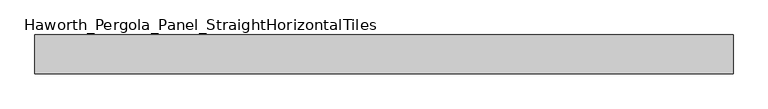
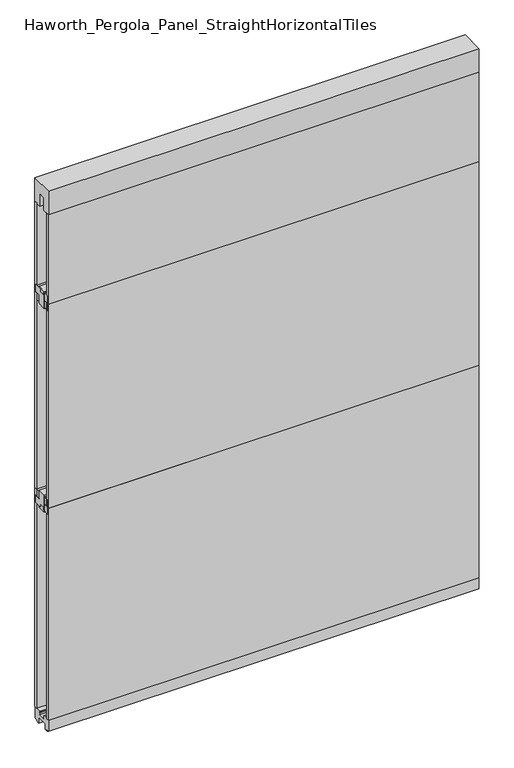
"""IFC4 building model written with IfcOpenShell, lengths in millimetres: furniture geometry, Haworth_Pergola_Panel_StraightHorizontalTiles."""

import ifcopenshell
import ifcopenshell.guid

model = None  # the IFC model being written
_history = None  # IfcOwnerHistory: only IFC2X3 demands one
_inside = {}  # id of a spatial element -> (the spatial element, [elements in it])
_under = {}  # id of a project, library or spatial element -> (it, [spatial elements below it])
_declared = {}  # id of a project -> (the project, [libraries it declares])
_typed = {}  # id of a type object -> (the type object, [elements of that type])
_made_of = {}  # id of a material, layer set ... -> (it, [elements and type objects made of it])


def new_model(schema):
    """Start an empty IFC model of exactly this schema.

    Asked for "IFC4X3", IfcOpenShell would pick the latest addendum, in which some entities
    have other attributes; the version numbers below select the first issue.
    IFC2X3 requires an IfcOwnerHistory on every rooted entity: one is made here for all.
    """
    global model, _history
    if schema == "IFC4X3":
        model = ifcopenshell.file(schema_version=(4, 3, 0, 0))
    else:
        model = ifcopenshell.file(schema=schema)
    _inside.clear()
    _under.clear()
    _declared.clear()
    _typed.clear()
    _made_of.clear()
    _history = None
    if model.schema == "IFC2X3":
        org = make("IfcOrganization", Name="unknown")
        user = make(
            "IfcPersonAndOrganization",
            ThePerson=make("IfcPerson", FamilyName="unknown"),
            TheOrganization=org,
        )
        app = make(
            "IfcApplication",
            ApplicationDeveloper=org,
            Version="unknown",
            ApplicationFullName="unknown",
            ApplicationIdentifier="unknown",
        )
        _history = make(
            "IfcOwnerHistory",
            OwningUser=user,
            OwningApplication=app,
            ChangeAction="ADDED",
            CreationDate=0,
        )
    return model


def make(cls, **values):
    """One entity of the class cls with the attributes given. An attribute that is None is left unset."""
    return model.create_entity(
        cls, **{name: value for name, value in values.items() if value is not None}
    )


def rooted(cls, **values):
    """An entity with a GlobalId (a new one), such as an element, a storey or a relation."""
    return make(cls, GlobalId=ifcopenshell.guid.new(), OwnerHistory=_history, **values)


def si_unit(unit_type, name, prefix=None):
    """IfcSIUnit, for example si_unit("LENGTHUNIT", "METRE", prefix="MILLI")."""
    return make("IfcSIUnit", UnitType=unit_type, Prefix=prefix, Name=name)


def assignment(units):
    """IfcUnitAssignment: the units of a project."""
    return None if units is None else make("IfcUnitAssignment", Units=units)


def point(xyz):
    """IfcCartesianPoint."""
    return None if xyz is None else make("IfcCartesianPoint", Coordinates=xyz)


def direction(xyz):
    """IfcDirection."""
    return None if xyz is None else make("IfcDirection", DirectionRatios=xyz)


def frame(location, z_axis=None, x_axis=None):
    """IfcAxis2Placement3D, a coordinate frame: its origin and axes. An axis left out is left unset."""
    return make(
        "IfcAxis2Placement3D",
        Location=point(location),
        Axis=direction(z_axis),
        RefDirection=direction(x_axis),
    )


def origin():
    """The frame at (0, 0, 0) with its axes left unset."""
    return frame((0.0, 0.0, 0.0))


def place(relative_to, where):
    """IfcLocalPlacement: puts the frame where relative to a parent placement (None: the world)."""
    return make(
        "IfcLocalPlacement", PlacementRelTo=relative_to, RelativePlacement=where
    )


def context(
    kind, dimensions, precision=None, world=None, true_north=None, identifier=None
):
    """IfcGeometricRepresentationContext, for example the 3D "Model" context."""
    return make(
        "IfcGeometricRepresentationContext",
        ContextIdentifier=identifier,
        ContextType=kind,
        CoordinateSpaceDimension=dimensions,
        Precision=precision,
        WorldCoordinateSystem=world,
        TrueNorth=true_north,
    )


def project(units=None, contexts=None):
    """IfcProject with its units and contexts."""
    return rooted(
        "IfcProject",
        Name="project",
        RepresentationContexts=contexts,
        UnitsInContext=assignment(units),
    )


def spatial(cls, under=None, at=None, **own):
    """A site, building, storey or space (cls), placed at a placement, below another one or the project."""
    s = rooted(cls, ObjectPlacement=at, **own)
    if under is not None:
        _under.setdefault(under.id(), (under, []))[1].append(s)
    return s


def polyline(points):
    """IfcPolyline through the points."""
    return make("IfcPolyline", Points=[point(p) for p in points])


def outline(outer, holes=None, kind="AREA"):
    """IfcArbitraryClosedProfileDef: a profile drawn as a closed curve; with holes, ...WithVoids."""
    if holes is None:
        return make("IfcArbitraryClosedProfileDef", ProfileType=kind, OuterCurve=outer)
    return make(
        "IfcArbitraryProfileDefWithVoids",
        ProfileType=kind,
        OuterCurve=outer,
        InnerCurves=holes,
    )


def extrude(swept, where, along, depth):
    """IfcExtrudedAreaSolid: the profile swept, set in the frame where, extruded along a direction by depth."""
    return make(
        "IfcExtrudedAreaSolid",
        SweptArea=swept,
        Position=where,
        ExtrudedDirection=direction(along),
        Depth=depth,
    )


def shape(context_of_items, identifier, shape_type, items):
    """IfcShapeRepresentation: the items that make up one representation, for example the "Body"."""
    return make(
        "IfcShapeRepresentation",
        ContextOfItems=context_of_items,
        RepresentationIdentifier=identifier,
        RepresentationType=shape_type,
        Items=items,
    )


def source(mapping_origin, context_of_items, identifier, shape_type, items):
    """IfcRepresentationMap: a shape defined once, which mapped items show again and again."""
    return make(
        "IfcRepresentationMap",
        MappingOrigin=mapping_origin,
        MappedRepresentation=shape(context_of_items, identifier, shape_type, items),
    )


def transform(
    local_origin,
    x_axis=None,
    y_axis=None,
    z_axis=None,
    scale=None,
    scale2=None,
    scale3=None,
    uniform=True,
):
    """IfcCartesianTransformationOperator3D, or its non-uniform kind. x_axis, y_axis, z_axis: its Axis1, 2, 3."""
    if uniform:
        return make(
            "IfcCartesianTransformationOperator3D",
            Axis1=direction(x_axis),
            Axis2=direction(y_axis),
            LocalOrigin=point(local_origin),
            Scale=scale,
            Axis3=direction(z_axis),
        )
    return make(
        "IfcCartesianTransformationOperator3DnonUniform",
        Axis1=direction(x_axis),
        Axis2=direction(y_axis),
        LocalOrigin=point(local_origin),
        Scale=scale,
        Axis3=direction(z_axis),
        Scale2=scale2,
        Scale3=scale3,
    )


def mapped(mapping_source, mapping_target):
    """IfcMappedItem: shows the shape of a source again, moved by a transform."""
    return make(
        "IfcMappedItem", MappingSource=mapping_source, MappingTarget=mapping_target
    )


def made_of(thing, what):
    """Note that an element or type object is made of a material, layer set ...; save() writes the relation."""
    if what is not None:
        _made_of.setdefault(what.id(), (what, []))[1].append(thing)
    return thing


def element(
    cls,
    number,
    at=None,
    inside=None,
    cuts=None,
    type_object=None,
    material=None,
    context=None,
    identifier="Body",
    shape_type=None,
    held_by="IfcProductDefinitionShape",
    body=None,
    shapes=None,
    **own,
):
    """One element of the class cls, such as IfcWall. Its Tag is "e" and its number.

    at: its placement. inside: the storey or other place that contains it. cuts: it is an
    opening in that element (IfcRelVoidsElement). A single representation is given by context,
    identifier, shape_type and body (its items); several are given by shapes. held_by: the class
    of the entity that holds the representations. save() writes the other relations.
    """
    e = rooted(cls, Tag="e%d" % number, ObjectPlacement=at, **own)
    if body is not None:
        shapes = [shape(context, identifier, shape_type, body)]
    if shapes is not None:
        e.Representation = make(held_by, Representations=shapes)
    if inside is not None:
        _inside.setdefault(inside.id(), (inside, []))[1].append(e)
    if cuts is not None:
        rooted(
            "IfcRelVoidsElement", RelatingBuildingElement=cuts, RelatedOpeningElement=e
        )
    if type_object is not None:
        _typed.setdefault(type_object.id(), (type_object, []))[1].append(e)
    return made_of(e, material)


def aggregate(whole, parts):
    """IfcRelAggregates: a whole, such as a stair, and the parts it consists of."""
    return rooted("IfcRelAggregates", RelatingObject=whole, RelatedObjects=parts)


def save(model, path):
    """Write the relations noted so far, then the file.

    IfcRelAggregates (storeys below a building ...), IfcRelContainedInSpatialStructure (elements
    in a storey), IfcRelDefinesByType, IfcRelAssociatesMaterial and IfcRelDeclares: one each for
    every whole, place, type object, material and project.
    """
    for whole, parts in _under.values():
        aggregate(whole, parts)
    for where, things in _inside.values():
        rooted(
            "IfcRelContainedInSpatialStructure",
            RelatedElements=things,
            RelatingStructure=where,
        )
    for kind, things in _typed.values():
        rooted("IfcRelDefinesByType", RelatedObjects=things, RelatingType=kind)
    for what, things in _made_of.values():
        rooted("IfcRelAssociatesMaterial", RelatedObjects=things, RelatingMaterial=what)
    for by, libraries in _declared.values():
        rooted("IfcRelDeclares", RelatingContext=by, RelatedDefinitions=libraries)
    model.write(path)


def haworth_pergola_panel_straighthorizontaltiles_f91c3eb3(model_context):
    return source(origin(), model_context, "Body", "SweptSolid", [
        extrude(outline(polyline([(12.7, 984.25), (12.7, 996.95), (-12.7, 996.95), (-12.7, 984.25), (-44.45, 984.25), (-44.45, 1016.0), (-19.05, 1016.0), (-19.05, 1054.1), (19.05, 1054.1), (19.05, 1016.0), (44.45, 1016.0), (44.45, 984.25), (12.7, 984.25)])), frame((-876.3, 0.0, 0.0), z_axis=(1.0, 0.0, 0.0), x_axis=(0.0, 1.0, 0.0)), (0.0, 0.0, 1.0), 1828.8),
        extrude(outline(polyline([(12.7, 1962.15), (44.45, 1962.15), (44.45, 1930.4), (19.05, 1930.4), (19.05, 1892.3), (-19.05, 1892.3), (-19.05, 1930.4), (-44.45, 1930.4), (-44.45, 1962.15), (-12.7, 1962.15), (-12.7, 1949.45), (12.7, 1949.45), (12.7, 1962.15)])), frame((-876.3, 0.0, 0.0), z_axis=(1.0, 0.0, 0.0), x_axis=(0.0, 1.0, 0.0)), (0.0, 0.0, 1.0), 1828.8),
        extrude(outline(polyline([(-876.3, 50.8), (952.5, 50.8), (952.5, 38.1), (-876.3, 38.1), (-876.3, 50.8)])), frame((0.0, 0.0, 1016.0), z_axis=(0.0, 0.0, 1.0), x_axis=(1.0, 0.0, 0.0)), (0.0, 0.0, 1.0), 914.4),
        extrude(outline(polyline([(-876.3, -38.1), (952.5, -38.1), (952.5, -50.8), (-876.3, -50.8), (-876.3, -38.1)])), frame((0.0, 0.0, 1016.0), z_axis=(0.0, 0.0, 1.0), x_axis=(1.0, 0.0, 0.0)), (0.0, 0.0, 1.0), 914.4),
        extrude(outline(polyline([(12.7, 1898.65), (12.7, 1911.35), (-12.7, 1911.35), (-12.7, 1898.65), (-44.45, 1898.65), (-44.45, 1930.4), (-19.05, 1930.4), (-19.05, 1968.5), (19.05, 1968.5), (19.05, 1930.4), (44.45, 1930.4), (44.45, 1898.65), (12.7, 1898.65)])), frame((-876.3, 0.0, 0.0), z_axis=(1.0, 0.0, 0.0), x_axis=(0.0, 1.0, 0.0)), (0.0, 0.0, 1.0), 1828.8),
        extrude(outline(polyline([(-876.3, 50.8), (952.5, 50.8), (952.5, 38.1), (-876.3, 38.1), (-876.3, 50.8)])), frame((0.0, 0.0, 1930.4), z_axis=(0.0, 0.0, 1.0), x_axis=(1.0, 0.0, 0.0)), (0.0, 0.0, 1.0), 401.4390625),
        extrude(outline(polyline([(-876.3, -38.1), (952.5, -38.1), (952.5, -50.8), (-876.3, -50.8), (-876.3, -38.1)])), frame((0.0, 0.0, 1930.4), z_axis=(0.0, 0.0, 1.0), x_axis=(1.0, 0.0, 0.0)), (0.0, 0.0, 1.0), 401.4390625),
        extrude(outline(polyline([(12.7, 1047.75), (44.45, 1047.75), (44.45, 1016.0), (19.05, 1016.0), (19.05, 977.9), (-19.05, 977.9), (-19.05, 1016.0), (-44.45, 1016.0), (-44.45, 1047.75), (-12.7, 1047.75), (-12.7, 1035.05), (12.7, 1035.05), (12.7, 1047.75)])), frame((-876.3, 0.0, 0.0), z_axis=(1.0, 0.0, 0.0), x_axis=(0.0, 1.0, 0.0)), (0.0, 0.0, 1.0), 1828.8),
        extrude(outline(polyline([(-876.3, 50.8), (952.5, 50.8), (952.5, 38.1), (-876.3, 38.1), (-876.3, 50.8)])), frame((0.0, 0.0, 63.5), z_axis=(0.0, 0.0, 1.0), x_axis=(1.0, 0.0, 0.0)), (0.0, 0.0, 1.0), 952.5),
        extrude(outline(polyline([(-876.3, -38.1), (952.5, -38.1), (952.5, -50.8), (-876.3, -50.8), (-876.3, -38.1)])), frame((0.0, 0.0, 63.5), z_axis=(0.0, 0.0, 1.0), x_axis=(1.0, 0.0, 0.0)), (0.0, 0.0, 1.0), 952.5),
        extrude(outline(polyline([(-50.8, 2438.4), (50.8, 2438.4), (50.8, 2331.8390625), (15.2182948, 2331.8390625), (15.2182948, 2388.7001663), (-15.2182948, 2388.7001663), (-15.2182948, 2331.8390625), (-50.8, 2331.8390625), (-50.8, 2438.4)])), frame((-876.3, 0.0, 0.0), z_axis=(1.0, 0.0, 0.0), x_axis=(0.0, 1.0, 0.0)), (0.0, 0.0, 1.0), 1828.8),
        extrude(outline(polyline([(-16.2000002, 63.5), (-16.5085717, 61.7499999), (-13.3999996, 61.7499999), (-13.3999996, 58.8973461), (-15.4000002, 59.2499999), (-15.4000002, 48.3500004), (15.4000003, 48.3500004), (15.4000003, 59.2499999), (13.3999997, 58.8973461), (13.3999997, 61.7499999), (16.5085718, 61.7499999), (16.2000003, 63.5), (50.0000004, 63.5), (50.0000004, 12.6999985), (40.9499987, 12.6999985), (38.9499981, 10.6999979), (28.9499999, 10.6999979), (28.9499999, 7.6999994), (38.9499981, 7.6999994), (38.9499981, 5.6999988), (23.7499993, 5.6999988), (23.7499993, 31.4500009), (-23.7499992, 31.4500009), (-23.7499992, 5.6999988), (-38.949998, 5.6999988), (-38.949998, 7.6999994), (-28.9499998, 7.6999994), (-28.9499998, 10.6999979), (-38.949998, 10.6999979), (-40.9499986, 12.6999985), (-50.0000003, 12.6999985), (-50.0000003, 63.5), (-16.2000002, 63.5)])), frame((-876.3, 0.0, 0.0), z_axis=(1.0, 0.0, 0.0), x_axis=(0.0, 1.0, 0.0)), (0.0, 0.0, 1.0), 1828.8),
    ])


if __name__ == "__main__":
    model = new_model("IFC4")
    model_context = context("Model", 3, world=origin())
    ifc_project = project(units=[si_unit("LENGTHUNIT", "METRE", prefix="MILLI")], contexts=[model_context])
    site = spatial("IfcSite", under=ifc_project)
    building = spatial("IfcBuilding", under=site)
    placement = place(None, origin())
    haworth_pergola_panel_straighthorizontaltiles_shape = haworth_pergola_panel_straighthorizontaltiles_f91c3eb3(model_context)
    element("IfcFurniture", 1, ObjectType="Haworth_Pergola_Panel_StraightHorizontalTiles", at=placement, inside=building, context=model_context, shape_type="MappedRepresentation", body=[
        mapped(haworth_pergola_panel_straighthorizontaltiles_shape, transform((0.0, 0.0, 0.0), x_axis=(1.0, 0.0, 0.0), y_axis=(0.0, 1.0, 0.0), z_axis=(0.0, 0.0, 1.0))),
    ])
    save(model, "model.ifc")
